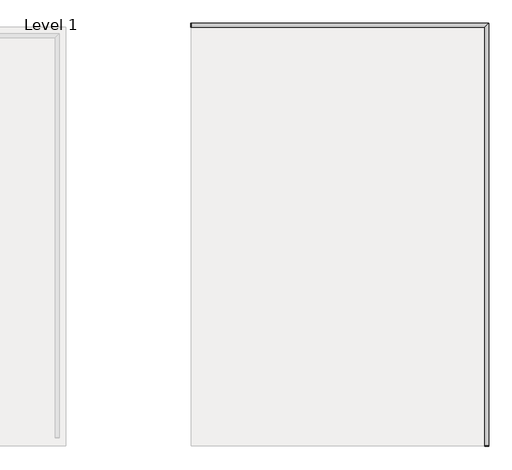
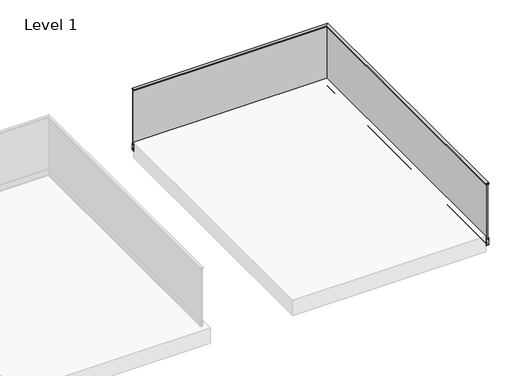
# One storey, part 10 of 11: 1 railing.
"""IFC4 building model written with IfcOpenShell, lengths in millimetres."""

from ifc_helpers import new_model, si_unit, frame, origin, place, context, project, spatial, polyline, circle_curve, ellipse_curve, outline, extrude, faceted_brep, element, save
from ifc_brep_helpers import plane_surface, cylinder_surface, revolved_surface, advanced_brep

model = new_model("IFC4")

# Units and contexts
model_context = context("Model", 3, world=origin())
ifc_project = project(units=[si_unit("LENGTHUNIT", "METRE", prefix="MILLI")], contexts=[model_context])

# Site, building, storey
site = spatial("IfcSite", under=ifc_project)
building = spatial("IfcBuilding", under=site)
storey = spatial("IfcBuildingStorey", under=building, Name="Level 1", Elevation=0.0)

# Railing
placement = place(None, origin())
element("IfcRailing", 1, at=placement, inside=storey, context=model_context, shape_type="SolidModel", body=[
    advanced_brep(
    [(-8668.5524845, -26815.8362173, 1007.0), (-8671.5524845, -26815.8362173, 1007.0), (-8671.5524845, -26863.8362173, 1007.0), (-8668.5524845, -26863.8362173, 1007.0), (-8668.5524845, -26815.8362173, 987.0), (-8668.5524845, -26863.8362173, 987.0), (-8671.5524845, -26863.8362173, 987.0), (-8671.5524845, -26815.8362173, 987.0), (-8671.5524845, -26830.3063349, 991.0), (-8671.5524845, -26828.5394144, 991.0), (-8671.5524845, -26828.5394144, 1002.8910916), (-8671.5524845, -26830.3063349, 1002.8910916), (-8671.5524845, -26834.9336183, 994.8283296), (-8671.5524845, -26833.5456396, 991.0418015), (-8671.5524845, -26832.2678537, 991.0418015), (-8671.5524845, -26835.5091488, 1000.7289848), (-8671.5524845, -26836.0979661, 1002.9204218), (-8671.5524845, -26836.0979661, 1004.4042101), (-8671.5524845, -26837.0979661, 1004.4042101), (-8671.5524845, -26837.0979661, 1002.9204218), (-8671.5524845, -26837.6867833, 1000.7289848), (-8671.5524845, -26840.9280784, 991.0418015), (-8671.5524845, -26839.6502925, 991.0418015), (-8671.5524845, -26838.2623138, 994.8283296), (-8671.5524845, -26848.4439137, 994.2872278), (-8671.5524845, -26844.4412259, 999.8363254), (-8671.5524845, -26844.4412259, 991.0), (-8671.5524845, -26842.6743053, 991.0), (-8671.5524845, -26842.6743053, 1002.8910916), (-8671.5524845, -26844.346968, 1002.8910916), (-8671.5524845, -26848.4476652, 997.2372765), (-8671.5524845, -26852.5245912, 1002.8910916), (-8671.5524845, -26854.1767212, 1002.8910916), (-8671.5524845, -26854.1767212, 991.0), (-8671.5524845, -26852.401119, 991.0), (-8671.5524845, -26852.401119, 999.8363254), (-8671.5524845, -26837.7114101, 996.3283296), (-8671.5524845, -26836.5979661, 999.3642296), (-8671.5524845, -26835.4845221, 996.3283296), (-8670.7524845, -26828.5394144, 991.0), (-8670.7524845, -26830.3063349, 991.0), (-8670.7524845, -26830.3063349, 1002.8910916), (-8670.7524845, -26828.5394144, 1002.8910916), (-8670.7524845, -26833.5456396, 991.0418015), (-8670.7524845, -26834.9336183, 994.8283296), (-8670.7524845, -26838.2623138, 994.8283296), (-8670.7524845, -26839.6502925, 991.0418015), (-8670.7524845, -26840.9280784, 991.0418015), (-8670.7524845, -26837.6867833, 1000.7289848), (-8670.7524845, -26837.0979661, 1002.9204218), (-8670.7524845, -26837.0979661, 1004.4042101), (-8670.7524845, -26836.0979661, 1004.4042101), (-8670.7524845, -26836.0979661, 1002.9204218), (-8670.7524845, -26835.5091488, 1000.7289848), (-8670.7524845, -26832.2678537, 991.0418015), (-8670.7524845, -26836.5979661, 999.3642296), (-8670.7524845, -26837.7114101, 996.3283296), (-8670.7524845, -26835.4845221, 996.3283296), (-8670.7524845, -26844.4412259, 999.8363254), (-8670.7524845, -26848.4439137, 994.2872278), (-8670.7524845, -26852.401119, 999.8363254), (-8670.7524845, -26852.401119, 991.0), (-8670.7524845, -26854.1767212, 991.0), (-8670.7524845, -26854.1767212, 1002.8910916), (-8670.7524845, -26852.5245912, 1002.8910916), (-8670.7524845, -26848.4476652, 997.2372765), (-8670.7524845, -26844.346968, 1002.8910916), (-8670.7524845, -26842.6743053, 1002.8910916), (-8670.7524845, -26842.6743053, 991.0), (-8670.7524845, -26844.4412259, 991.0)],
    [
        (0, 1),
        (1, 2),
        (2, 3),
        (3, 0),
        (4, 5),
        (5, 6),
        (6, 7),
        (7, 4),
        (0, 4),
        (7, 1),
        (6, 2),
        (8, 9),
        (9, 10),
        (10, 11),
        (11, 8),
        (12, 13),
        (13, 14),
        (14, 15),
        (15, 16, circle_curve(frame((-8671.5524845, -26836.5979661, 1001.6112537), z_axis=(1.0, 0.0, 0.0), x_axis=(0.0, -1.0, 0.0)), 1.4013998)),
        (16, 17),
        (17, 18),
        (18, 19),
        (19, 20, circle_curve(frame((-8671.5524845, -26836.5979661, 1001.6112537), z_axis=(1.0, 0.0, 0.0), x_axis=(0.0, -1.0, 0.0)), 1.4013998)),
        (20, 21),
        (21, 22),
        (22, 23),
        (23, 12),
        (24, 25),
        (25, 26),
        (26, 27),
        (27, 28),
        (28, 29),
        (29, 30),
        (30, 31),
        (31, 32),
        (32, 33),
        (33, 34),
        (34, 35),
        (35, 24),
        (36, 37),
        (37, 38),
        (38, 36),
        (5, 3),
        (39, 40),
        (40, 41),
        (41, 42),
        (42, 39),
        (43, 44),
        (44, 45),
        (45, 46),
        (46, 47),
        (47, 48),
        (48, 49, circle_curve(frame((-8670.7524845, -26836.5979661, 1001.6112537), z_axis=(-1.0, 0.0, 0.0), x_axis=(0.0, -1.0, 0.0)), 1.4013998)),
        (49, 50),
        (50, 51),
        (51, 52),
        (52, 53, circle_curve(frame((-8670.7524845, -26836.5979661, 1001.6112537), z_axis=(-1.0, 0.0, 0.0), x_axis=(0.0, -1.0, 0.0)), 1.4013998)),
        (53, 54),
        (54, 43),
        (55, 56),
        (56, 57),
        (57, 55),
        (58, 59),
        (59, 60),
        (60, 61),
        (61, 62),
        (62, 63),
        (63, 64),
        (64, 65),
        (65, 66),
        (66, 67),
        (67, 68),
        (68, 69),
        (69, 58),
        (39, 9),
        (8, 40),
        (11, 41),
        (10, 42),
        (43, 13),
        (12, 44),
        (23, 45),
        (22, 46),
        (21, 47),
        (20, 48),
        (19, 49),
        (18, 50),
        (17, 51),
        (16, 52),
        (15, 53),
        (14, 54),
        (55, 37),
        (36, 56),
        (38, 57),
        (58, 25),
        (24, 59),
        (35, 60),
        (34, 61),
        (33, 62),
        (32, 63),
        (31, 64),
        (30, 65),
        (29, 66),
        (28, 67),
        (27, 68),
        (26, 69),
    ],
    [
        plane_surface(frame((-8671.5524845, -26815.8362173, 1007.0), z_axis=(0.0, 0.0, 1.0), x_axis=(-1.0, 0.0, 0.0))),
        plane_surface(frame((-8671.5524845, -26815.8362173, 987.0), z_axis=(0.0, 0.0, -1.0), x_axis=(1.0, 0.0, 0.0))),
        plane_surface(frame((-8668.5524845, -26815.8362173, 1007.0), z_axis=(0.0, 1.0, 0.0), x_axis=(0.0, 0.0, -1.0))),
        plane_surface(frame((-8671.5524845, -26815.8362173, 1007.0), z_axis=(-1.0, 0.0, 0.0), x_axis=(0.0, 0.0, -1.0))),
        plane_surface(frame((-8671.5524845, -26863.8362173, 1007.0), z_axis=(0.0, -1.0, 0.0), x_axis=(0.0, 0.0, -1.0))),
        plane_surface(frame((-8668.5524845, -26863.8362173, 1007.0), z_axis=(1.0, 0.0, 0.0), x_axis=(0.0, 0.0, -1.0))),
        plane_surface(frame((-8670.7524845, -26830.3063349, 991.0), z_axis=(-1.0, 0.0, 0.0), x_axis=(0.0, 1.0, 0.0))),
        plane_surface(frame((-8678.007394, -26828.5394144, 991.0), z_axis=(0.0, 0.0, 1.0), x_axis=(1.0, 0.0, 0.0))),
        plane_surface(frame((-8678.007394, -26830.3063349, 991.0), z_axis=(0.0, 1.0, 0.0), x_axis=(1.0, 0.0, 0.0))),
        plane_surface(frame((-8678.007394, -26830.3063349, 1002.8910916), z_axis=(0.0, 0.0, -1.0), x_axis=(1.0, 0.0, 0.0))),
        plane_surface(frame((-8678.007394, -26828.5394144, 1002.8910916), z_axis=(0.0, -1.0, 0.0), x_axis=(1.0, 0.0, 0.0))),
        plane_surface(frame((-8678.007394, -26833.5456396, 991.0418015), z_axis=(0.0, 0.9389095690504639, 0.34416394515618903), x_axis=(1.0, 0.0, 0.0))),
        plane_surface(frame((-8678.007394, -26834.9336183, 994.8283296), z_axis=(0.0, 0.0, 1.0), x_axis=(1.0, 0.0, 0.0))),
        plane_surface(frame((-8678.007394, -26838.2623138, 994.8283296), z_axis=(0.0, -0.9389095690504728, 0.34416394515616455), x_axis=(1.0, 0.0, 0.0))),
        plane_surface(frame((-8678.007394, -26839.6502925, 991.0418015), z_axis=(0.0, 0.0, 1.0), x_axis=(1.0, 0.0, 0.0))),
        plane_surface(frame((-8678.007394, -26840.9280784, 991.0418015), z_axis=(0.0, 0.9483233937709086, -0.3173054377517449), x_axis=(1.0, 0.0, 0.0))),
        revolved_surface(polyline([(-8671.5524845, -26837.9993659, 1001.6112537), (-8670.7524845, -26837.9993659, 1001.6112537)]), (-8668.5524845, -26836.5979661, 1001.6112537), (-1.0, 0.0, 0.0)),
        plane_surface(frame((-8678.007394, -26837.0979661, 1002.9204218), z_axis=(0.0, 1.0, -8.150728408147997e-12), x_axis=(1.0, 0.0, 0.0))),
        plane_surface(frame((-8678.007394, -26837.0979661, 1004.4042101), z_axis=(0.0, 0.0, -1.0), x_axis=(1.0, 0.0, 0.0))),
        plane_surface(frame((-8678.007394, -26836.0979661, 1004.4042101), z_axis=(0.0, -1.0, 0.0), x_axis=(1.0, 0.0, 0.0))),
        plane_surface(frame((-8678.007394, -26835.5091488, 1000.7289848), z_axis=(0.0, -0.9483233937714675, -0.3173054377500742), x_axis=(1.0, 0.0, 0.0))),
        plane_surface(frame((-8678.007394, -26832.2678537, 991.0418015), z_axis=(0.0, 0.0, 1.0), x_axis=(1.0, 0.0, 0.0))),
        plane_surface(frame((-8678.007394, -26836.5979661, 999.3642296), z_axis=(0.0, -0.9388482559136598, 0.3443311667100135), x_axis=(1.0, 0.0, 0.0))),
        plane_surface(frame((-8678.007394, -26837.7114101, 996.3283296), z_axis=(0.0, 0.0, -1.0), x_axis=(1.0, 0.0, 0.0))),
        plane_surface(frame((-8678.007394, -26835.4845221, 996.3283296), z_axis=(0.0, 0.9388482559137024, 0.3443311667098978), x_axis=(1.0, 0.0, 0.0))),
        plane_surface(frame((-8678.007394, -26844.4412259, 999.8363254), z_axis=(0.0, -0.8110255103954597, 0.5850107874969352), x_axis=(1.0, 0.0, 0.0))),
        plane_surface(frame((-8678.007394, -26848.4439137, 994.2872278), z_axis=(0.0, 0.8141798587893506, 0.5806127431789222), x_axis=(1.0, 0.0, 0.0))),
        plane_surface(frame((-8678.007394, -26852.401119, 999.8363254), z_axis=(0.0, -1.0, 0.0), x_axis=(1.0, 0.0, 0.0))),
        plane_surface(frame((-8678.007394, -26852.401119, 991.0), z_axis=(0.0, 0.0, 1.0), x_axis=(1.0, 0.0, 0.0))),
        plane_surface(frame((-8678.007394, -26854.1767212, 991.0), z_axis=(0.0, 1.0, 0.0), x_axis=(1.0, 0.0, 0.0))),
        plane_surface(frame((-8678.007394, -26854.1767212, 1002.8910916), z_axis=(0.0, 0.0, -1.0), x_axis=(1.0, 0.0, 0.0))),
        plane_surface(frame((-8678.007394, -26852.5245912, 1002.8910916), z_axis=(0.0, -0.8111137792362568, -0.5848883971605838), x_axis=(1.0, 0.0, 0.0))),
        plane_surface(frame((-8678.007394, -26848.4476652, 997.2372765), z_axis=(0.0, 0.8094960389787019, -0.5871253383033234), x_axis=(1.0, 0.0, 0.0))),
        plane_surface(frame((-8678.007394, -26844.346968, 1002.8910916), z_axis=(0.0, 0.0, -1.0), x_axis=(1.0, 0.0, 0.0))),
        plane_surface(frame((-8678.007394, -26842.6743053, 1002.8910916), z_axis=(0.0, -1.0, 0.0), x_axis=(1.0, 0.0, 0.0))),
        plane_surface(frame((-8678.007394, -26842.6743053, 991.0), z_axis=(0.0, 0.0, 1.0), x_axis=(1.0, 0.0, 0.0))),
        plane_surface(frame((-8678.007394, -26844.4412259, 991.0), z_axis=(0.0, 1.0, 0.0), x_axis=(1.0, 0.0, 0.0))),
    ],
    [
        (0, [[1, 2, 3, 4]]),
        (1, [[5, 6, 7, 8]]),
        (2, [[-1, 9, -8, 10]]),
        (3, [[-2, -10, -7, 11], [12, 13, 14, 15], [16, 17, 18, 19, 20, 21, 22, 23, 24, 25, 26, 27], [28, 29, 30, 31, 32, 33, 34, 35, 36, 37, 38, 39]]),
        (3, [[40, 41, 42]]),
        (4, [[-3, -11, -6, 43]]),
        (5, [[-4, -43, -5, -9]]),
        (6, [[44, 45, 46, 47]]),
        (6, [[48, 49, 50, 51, 52, 53, 54, 55, 56, 57, 58, 59], [60, 61, 62]]),
        (6, [[63, 64, 65, 66, 67, 68, 69, 70, 71, 72, 73, 74]]),
        (7, [[-44, 75, -12, 76]]),
        (8, [[-45, -76, -15, 77]]),
        (9, [[-46, -77, -14, 78]]),
        (10, [[-47, -78, -13, -75]]),
        (11, [[-48, 79, -16, 80]]),
        (12, [[-49, -80, -27, 81]]),
        (13, [[-50, -81, -26, 82]]),
        (14, [[-51, -82, -25, 83]]),
        (15, [[-52, -83, -24, 84]]),
        (16, [[-53, -84, -23, 85]]),
        (17, [[-54, -85, -22, 86]]),
        (18, [[-55, -86, -21, 87]]),
        (19, [[-56, -87, -20, 88]]),
        (16, [[-57, -88, -19, 89]]),
        (20, [[-58, -89, -18, 90]]),
        (21, [[-59, -90, -17, -79]]),
        (22, [[-60, 91, -40, 92]]),
        (23, [[-61, -92, -42, 93]]),
        (24, [[-62, -93, -41, -91]]),
        (25, [[-63, 94, -28, 95]]),
        (26, [[-64, -95, -39, 96]]),
        (27, [[-65, -96, -38, 97]]),
        (28, [[-66, -97, -37, 98]]),
        (29, [[-67, -98, -36, 99]]),
        (30, [[-68, -99, -35, 100]]),
        (31, [[-69, -100, -34, 101]]),
        (32, [[-70, -101, -33, 102]]),
        (33, [[-71, -102, -32, 103]]),
        (34, [[-72, -103, -31, 104]]),
        (35, [[-73, -104, -30, 105]]),
        (36, [[-74, -105, -29, -94]]),
    ],
),
    advanced_brep(
    [(-5168.0524845, -31864.3362173, 1007.0), (-5168.0524845, -31867.3362173, 1007.0), (-5120.0524845, -31867.3362173, 1007.0), (-5120.0524845, -31864.3362173, 1007.0), (-5168.0524845, -31864.3362173, 987.0), (-5120.0524845, -31864.3362173, 987.0), (-5120.0524845, -31867.3362173, 987.0), (-5168.0524845, -31867.3362173, 987.0), (-5153.5823668, -31867.3362173, 991.0), (-5155.3492874, -31867.3362173, 991.0), (-5155.3492874, -31867.3362173, 1002.8910916), (-5153.5823668, -31867.3362173, 1002.8910916), (-5148.9550834, -31867.3362173, 994.8283296), (-5150.3430621, -31867.3362173, 991.0418015), (-5151.620848, -31867.3362173, 991.0418015), (-5148.3795529, -31867.3362173, 1000.7289848), (-5147.7907357, -31867.3362173, 1002.9204218), (-5147.7907357, -31867.3362173, 1004.4042101), (-5146.7907357, -31867.3362173, 1004.4042101), (-5146.7907357, -31867.3362173, 1002.9204218), (-5146.2019184, -31867.3362173, 1000.7289848), (-5142.9606233, -31867.3362173, 991.0418015), (-5144.2384092, -31867.3362173, 991.0418015), (-5145.6263879, -31867.3362173, 994.8283296), (-5135.444788, -31867.3362173, 994.2872278), (-5139.4474759, -31867.3362173, 999.8363254), (-5139.4474759, -31867.3362173, 991.0), (-5141.2143965, -31867.3362173, 991.0), (-5141.2143965, -31867.3362173, 1002.8910916), (-5139.5417337, -31867.3362173, 1002.8910916), (-5135.4410365, -31867.3362173, 997.2372765), (-5131.3641105, -31867.3362173, 1002.8910916), (-5129.7119805, -31867.3362173, 1002.8910916), (-5129.7119805, -31867.3362173, 991.0), (-5131.4875828, -31867.3362173, 991.0), (-5131.4875828, -31867.3362173, 999.8363254), (-5146.1772917, -31867.3362173, 996.3283296), (-5147.2907357, -31867.3362173, 999.3642296), (-5148.4041797, -31867.3362173, 996.3283296), (-5155.3492874, -31866.5362173, 991.0), (-5153.5823668, -31866.5362173, 991.0), (-5153.5823668, -31866.5362173, 1002.8910916), (-5155.3492874, -31866.5362173, 1002.8910916), (-5150.3430621, -31866.5362173, 991.0418015), (-5148.9550834, -31866.5362173, 994.8283296), (-5145.6263879, -31866.5362173, 994.8283296), (-5144.2384092, -31866.5362173, 991.0418015), (-5142.9606233, -31866.5362173, 991.0418015), (-5146.2019184, -31866.5362173, 1000.7289848), (-5146.7907357, -31866.5362173, 1002.9204218), (-5146.7907357, -31866.5362173, 1004.4042101), (-5147.7907357, -31866.5362173, 1004.4042101), (-5147.7907357, -31866.5362173, 1002.9204218), (-5148.3795529, -31866.5362173, 1000.7289848), (-5151.620848, -31866.5362173, 991.0418015), (-5147.2907357, -31866.5362173, 999.3642296), (-5146.1772917, -31866.5362173, 996.3283296), (-5148.4041797, -31866.5362173, 996.3283296), (-5139.4474759, -31866.5362173, 999.8363254), (-5135.444788, -31866.5362173, 994.2872278), (-5131.4875828, -31866.5362173, 999.8363254), (-5131.4875828, -31866.5362173, 991.0), (-5129.7119805, -31866.5362173, 991.0), (-5129.7119805, -31866.5362173, 1002.8910916), (-5131.3641105, -31866.5362173, 1002.8910916), (-5135.4410365, -31866.5362173, 997.2372765), (-5139.5417337, -31866.5362173, 1002.8910916), (-5141.2143965, -31866.5362173, 1002.8910916), (-5141.2143965, -31866.5362173, 991.0), (-5139.4474759, -31866.5362173, 991.0)],
    [
        (0, 1),
        (1, 2),
        (2, 3),
        (3, 0),
        (4, 5),
        (5, 6),
        (6, 7),
        (7, 4),
        (0, 4),
        (7, 1),
        (6, 2),
        (8, 9),
        (9, 10),
        (10, 11),
        (11, 8),
        (12, 13),
        (13, 14),
        (14, 15),
        (15, 16, circle_curve(frame((-5147.2907357, -31867.3362173, 1001.6112537), z_axis=(0.0, 1.0, 0.0), x_axis=(1.0, 0.0, 0.0)), 1.4013998)),
        (16, 17),
        (17, 18),
        (18, 19),
        (19, 20, circle_curve(frame((-5147.2907357, -31867.3362173, 1001.6112537), z_axis=(0.0, 1.0, 0.0), x_axis=(1.0, 0.0, 0.0)), 1.4013998)),
        (20, 21),
        (21, 22),
        (22, 23),
        (23, 12),
        (24, 25),
        (25, 26),
        (26, 27),
        (27, 28),
        (28, 29),
        (29, 30),
        (30, 31),
        (31, 32),
        (32, 33),
        (33, 34),
        (34, 35),
        (35, 24),
        (36, 37),
        (37, 38),
        (38, 36),
        (5, 3),
        (39, 40),
        (40, 41),
        (41, 42),
        (42, 39),
        (43, 44),
        (44, 45),
        (45, 46),
        (46, 47),
        (47, 48),
        (48, 49, circle_curve(frame((-5147.2907357, -31866.5362173, 1001.6112537), z_axis=(0.0, -1.0, 0.0), x_axis=(1.0, 0.0, 0.0)), 1.4013998)),
        (49, 50),
        (50, 51),
        (51, 52),
        (52, 53, circle_curve(frame((-5147.2907357, -31866.5362173, 1001.6112537), z_axis=(0.0, -1.0, 0.0), x_axis=(1.0, 0.0, 0.0)), 1.4013998)),
        (53, 54),
        (54, 43),
        (55, 56),
        (56, 57),
        (57, 55),
        (58, 59),
        (59, 60),
        (60, 61),
        (61, 62),
        (62, 63),
        (63, 64),
        (64, 65),
        (65, 66),
        (66, 67),
        (67, 68),
        (68, 69),
        (69, 58),
        (39, 9),
        (8, 40),
        (11, 41),
        (10, 42),
        (43, 13),
        (12, 44),
        (23, 45),
        (22, 46),
        (21, 47),
        (20, 48),
        (19, 49),
        (18, 50),
        (17, 51),
        (16, 52),
        (15, 53),
        (14, 54),
        (55, 37),
        (36, 56),
        (38, 57),
        (58, 25),
        (24, 59),
        (35, 60),
        (34, 61),
        (33, 62),
        (32, 63),
        (31, 64),
        (30, 65),
        (29, 66),
        (28, 67),
        (27, 68),
        (26, 69),
    ],
    [
        plane_surface(frame((-5168.0524845, -31867.3362173, 1007.0), z_axis=(0.0, 0.0, 1.0), x_axis=(0.0, -1.0, 0.0))),
        plane_surface(frame((-5168.0524845, -31867.3362173, 987.0), z_axis=(0.0, 0.0, -1.0), x_axis=(0.0, 1.0, 0.0))),
        plane_surface(frame((-5168.0524845, -31864.3362173, 1007.0), z_axis=(-1.0, 0.0, 0.0), x_axis=(0.0, 0.0, -1.0))),
        plane_surface(frame((-5168.0524845, -31867.3362173, 1007.0), z_axis=(0.0, -1.0, 0.0), x_axis=(0.0, 0.0, -1.0))),
        plane_surface(frame((-5120.0524845, -31867.3362173, 1007.0), z_axis=(1.0, 0.0, 0.0), x_axis=(0.0, 0.0, -1.0))),
        plane_surface(frame((-5120.0524845, -31864.3362173, 1007.0), z_axis=(0.0, 1.0, 0.0), x_axis=(0.0, 0.0, -1.0))),
        plane_surface(frame((-5153.5823668, -31866.5362173, 991.0), z_axis=(0.0, -1.0, 0.0), x_axis=(-1.0, 0.0, 0.0))),
        plane_surface(frame((-5155.3492874, -31873.7911269, 991.0), z_axis=(0.0, 0.0, 1.0), x_axis=(0.0, 1.0, 0.0))),
        plane_surface(frame((-5153.5823668, -31873.7911269, 991.0), z_axis=(-1.0, 0.0, 0.0), x_axis=(0.0, 1.0, 0.0))),
        plane_surface(frame((-5153.5823668, -31873.7911269, 1002.8910916), z_axis=(0.0, 0.0, -1.0), x_axis=(0.0, 1.0, 0.0))),
        plane_surface(frame((-5155.3492874, -31873.7911269, 1002.8910916), z_axis=(1.0, 0.0, 0.0), x_axis=(0.0, 1.0, 0.0))),
        plane_surface(frame((-5150.3430621, -31873.7911269, 991.0418015), z_axis=(-0.9389095690504639, 0.0, 0.34416394515618903), x_axis=(0.0, 1.0, 0.0))),
        plane_surface(frame((-5148.9550834, -31873.7911269, 994.8283296), z_axis=(0.0, 0.0, 1.0), x_axis=(0.0, 1.0, 0.0))),
        plane_surface(frame((-5145.6263879, -31873.7911269, 994.8283296), z_axis=(0.9389095690504728, 0.0, 0.34416394515616455), x_axis=(0.0, 1.0, 0.0))),
        plane_surface(frame((-5144.2384092, -31873.7911269, 991.0418015), z_axis=(0.0, 0.0, 1.0), x_axis=(0.0, 1.0, 0.0))),
        plane_surface(frame((-5142.9606233, -31873.7911269, 991.0418015), z_axis=(-0.9483233937709086, 0.0, -0.3173054377517449), x_axis=(0.0, 1.0, 0.0))),
        revolved_surface(polyline([(-5145.8893359, -31867.3362173, 1001.6112537), (-5145.8893359, -31866.5362173, 1001.6112537)]), (-5147.2907357, -31864.3362173, 1001.6112537), (0.0, -1.0, 0.0)),
        plane_surface(frame((-5146.7907357, -31873.7911269, 1002.9204218), z_axis=(-1.0, 0.0, -8.150728408147997e-12), x_axis=(0.0, 1.0, 0.0))),
        plane_surface(frame((-5146.7907357, -31873.7911269, 1004.4042101), z_axis=(0.0, 0.0, -1.0), x_axis=(0.0, 1.0, 0.0))),
        plane_surface(frame((-5147.7907357, -31873.7911269, 1004.4042101), z_axis=(1.0, 0.0, 0.0), x_axis=(0.0, 1.0, 0.0))),
        plane_surface(frame((-5148.3795529, -31873.7911269, 1000.7289848), z_axis=(0.9483233937714675, 0.0, -0.3173054377500742), x_axis=(0.0, 1.0, 0.0))),
        plane_surface(frame((-5151.620848, -31873.7911269, 991.0418015), z_axis=(0.0, 0.0, 1.0), x_axis=(0.0, 1.0, 0.0))),
        plane_surface(frame((-5147.2907357, -31873.7911269, 999.3642296), z_axis=(0.9388482559136598, 0.0, 0.3443311667100135), x_axis=(0.0, 1.0, 0.0))),
        plane_surface(frame((-5146.1772917, -31873.7911269, 996.3283296), z_axis=(0.0, 0.0, -1.0), x_axis=(0.0, 1.0, 0.0))),
        plane_surface(frame((-5148.4041797, -31873.7911269, 996.3283296), z_axis=(-0.9388482559137024, 0.0, 0.3443311667098978), x_axis=(0.0, 1.0, 0.0))),
        plane_surface(frame((-5139.4474759, -31873.7911269, 999.8363254), z_axis=(0.8110255103954597, 0.0, 0.5850107874969352), x_axis=(0.0, 1.0, 0.0))),
        plane_surface(frame((-5135.444788, -31873.7911269, 994.2872278), z_axis=(-0.8141798587893506, 0.0, 0.5806127431789222), x_axis=(0.0, 1.0, 0.0))),
        plane_surface(frame((-5131.4875828, -31873.7911269, 999.8363254), z_axis=(1.0, 0.0, 0.0), x_axis=(0.0, 1.0, 0.0))),
        plane_surface(frame((-5131.4875828, -31873.7911269, 991.0), z_axis=(0.0, 0.0, 1.0), x_axis=(0.0, 1.0, 0.0))),
        plane_surface(frame((-5129.7119805, -31873.7911269, 991.0), z_axis=(-1.0, 0.0, 0.0), x_axis=(0.0, 1.0, 0.0))),
        plane_surface(frame((-5129.7119805, -31873.7911269, 1002.8910916), z_axis=(0.0, 0.0, -1.0), x_axis=(0.0, 1.0, 0.0))),
        plane_surface(frame((-5131.3641105, -31873.7911269, 1002.8910916), z_axis=(0.8111137792362568, 0.0, -0.5848883971605838), x_axis=(0.0, 1.0, 0.0))),
        plane_surface(frame((-5135.4410365, -31873.7911269, 997.2372765), z_axis=(-0.8094960389787019, 0.0, -0.5871253383033234), x_axis=(0.0, 1.0, 0.0))),
        plane_surface(frame((-5139.5417337, -31873.7911269, 1002.8910916), z_axis=(0.0, 0.0, -1.0), x_axis=(0.0, 1.0, 0.0))),
        plane_surface(frame((-5141.2143965, -31873.7911269, 1002.8910916), z_axis=(1.0, 0.0, 0.0), x_axis=(0.0, 1.0, 0.0))),
        plane_surface(frame((-5141.2143965, -31873.7911269, 991.0), z_axis=(0.0, 0.0, 1.0), x_axis=(0.0, 1.0, 0.0))),
        plane_surface(frame((-5139.4474759, -31873.7911269, 991.0), z_axis=(-1.0, 0.0, 0.0), x_axis=(0.0, 1.0, 0.0))),
    ],
    [
        (0, [[1, 2, 3, 4]]),
        (1, [[5, 6, 7, 8]]),
        (2, [[-1, 9, -8, 10]]),
        (3, [[-2, -10, -7, 11], [12, 13, 14, 15], [16, 17, 18, 19, 20, 21, 22, 23, 24, 25, 26, 27], [28, 29, 30, 31, 32, 33, 34, 35, 36, 37, 38, 39]]),
        (3, [[40, 41, 42]]),
        (4, [[-3, -11, -6, 43]]),
        (5, [[-4, -43, -5, -9]]),
        (6, [[44, 45, 46, 47]]),
        (6, [[48, 49, 50, 51, 52, 53, 54, 55, 56, 57, 58, 59], [60, 61, 62]]),
        (6, [[63, 64, 65, 66, 67, 68, 69, 70, 71, 72, 73, 74]]),
        (7, [[-44, 75, -12, 76]]),
        (8, [[-45, -76, -15, 77]]),
        (9, [[-46, -77, -14, 78]]),
        (10, [[-47, -78, -13, -75]]),
        (11, [[-48, 79, -16, 80]]),
        (12, [[-49, -80, -27, 81]]),
        (13, [[-50, -81, -26, 82]]),
        (14, [[-51, -82, -25, 83]]),
        (15, [[-52, -83, -24, 84]]),
        (16, [[-53, -84, -23, 85]]),
        (17, [[-54, -85, -22, 86]]),
        (18, [[-55, -86, -21, 87]]),
        (19, [[-56, -87, -20, 88]]),
        (16, [[-57, -88, -19, 89]]),
        (20, [[-58, -89, -18, 90]]),
        (21, [[-59, -90, -17, -79]]),
        (22, [[-60, 91, -40, 92]]),
        (23, [[-61, -92, -42, 93]]),
        (24, [[-62, -93, -41, -91]]),
        (25, [[-63, 94, -28, 95]]),
        (26, [[-64, -95, -39, 96]]),
        (27, [[-65, -96, -38, 97]]),
        (28, [[-66, -97, -37, 98]]),
        (29, [[-67, -98, -36, 99]]),
        (30, [[-68, -99, -35, 100]]),
        (31, [[-69, -100, -34, 101]]),
        (32, [[-70, -101, -33, 102]]),
        (33, [[-71, -102, -32, 103]]),
        (34, [[-72, -103, -31, 104]]),
        (35, [[-73, -104, -30, 105]]),
        (36, [[-74, -105, -29, -94]]),
    ],
),
    faceted_brep([(-5156.0524845, -31864.3362173, 997.0), (-5132.0524845, -31864.3362173, 997.0), (-5132.0524845, -31864.3362173, 987.0), (-5120.0524845, -31864.3362173, 987.0), (-5120.0524845, -31864.3362173, 1007.0), (-5168.0524845, -31864.3362173, 1007.0), (-5168.0524845, -31864.3362173, 987.0), (-5156.0524845, -31864.3362173, 987.0), (-5156.0524845, -31863.3362173, 997.0), (-5132.0524845, -31863.3362173, 997.0), (-5132.0524845, -31863.3362173, 987.0), (-5156.0524845, -31863.3362173, 987.0), (-5156.0524845, -26851.8362173, 997.0), (-5132.0524845, -26827.8362173, 997.0), (-5132.0524845, -26827.8362173, 987.0), (-5156.0524845, -26851.8362173, 987.0), (-8667.5524845, -26851.8362173, 997.0), (-8667.5524845, -26827.8362173, 997.0), (-8667.5524845, -26827.8362173, 987.0), (-8667.5524845, -26851.8362173, 987.0), (-8668.5524845, -26851.8362173, 997.0), (-8668.5524845, -26851.8362173, 987.0), (-8668.5524845, -26863.8362173, 987.0), (-8668.5524845, -26863.8362173, 1007.0), (-8668.5524845, -26815.8362173, 1007.0), (-8668.5524845, -26815.8362173, 987.0), (-8668.5524845, -26827.8362173, 987.0), (-8668.5524845, -26827.8362173, 997.0), (-5120.0524845, -31863.3362173, 987.0), (-5120.0524845, -31863.3362173, 1007.0), (-5168.0524845, -31863.3362173, 1007.0), (-5168.0524845, -31863.3362173, 987.0), (-5120.0524845, -26815.8362173, 987.0), (-5120.0524845, -26815.8362173, 1007.0), (-5168.0524845, -26863.8362173, 1007.0), (-5168.0524845, -26863.8362173, 987.0), (-8667.5524845, -26815.8362173, 987.0), (-8667.5524845, -26815.8362173, 1007.0), (-8667.5524845, -26863.8362173, 1007.0), (-8667.5524845, -26863.8362173, 987.0)], [[[0, 1, 2, 3, 4, 5, 6, 7]], [[1, 0, 8, 9]], [[2, 1, 9, 10]], [[0, 7, 11, 8]], [[9, 8, 12, 13]], [[10, 9, 13, 14]], [[8, 11, 15, 12]], [[13, 12, 16, 17]], [[14, 13, 17, 18]], [[12, 15, 19, 16]], [[20, 21, 22, 23, 24, 25, 26, 27]], [[17, 16, 20, 27]], [[18, 17, 27, 26]], [[16, 19, 21, 20]], [[3, 2, 10, 28]], [[4, 3, 28, 29]], [[5, 4, 29, 30]], [[6, 5, 30, 31]], [[7, 6, 31, 11]], [[28, 10, 14, 32]], [[29, 28, 32, 33]], [[30, 29, 33, 34]], [[31, 30, 34, 35]], [[11, 31, 35, 15]], [[32, 14, 18, 36]], [[33, 32, 36, 37]], [[34, 33, 37, 38]], [[35, 34, 38, 39]], [[15, 35, 39, 19]], [[36, 18, 26, 25]], [[37, 36, 25, 24]], [[38, 37, 24, 23]], [[39, 38, 23, 22]], [[19, 39, 22, 21]]]),
    faceted_brep([(-5135.2924845, -31863.3362173, 993.0), (-5152.8124845, -31863.3362173, 993.0), (-5152.8124845, -31863.3362173, -157.0), (-5135.2924845, -31863.3362173, -157.0), (-5135.2924845, -26831.0762173, 993.0), (-5152.8124845, -26848.5962173, 993.0), (-5152.8124845, -26848.5962173, -157.0), (-5135.2924845, -26831.0762173, -157.0), (-8667.5524845, -26831.0762173, 993.0), (-8667.5524845, -26831.0762173, -157.0), (-8667.5524845, -26848.5962173, -157.0), (-8667.5524845, -26848.5962173, 993.0)], [[[0, 1, 2, 3]], [[1, 0, 4, 5]], [[2, 1, 5, 6]], [[3, 2, 6, 7]], [[0, 3, 7, 4]], [[8, 9, 10, 11]], [[5, 4, 8, 11]], [[6, 5, 11, 10]], [[7, 6, 10, 9]], [[4, 7, 9, 8]]]),
    faceted_brep([(-5156.5524845, -31863.3362173, -160.0), (-5156.5524845, -31863.3362173, -140.0), (-5160.5905785, -31863.3362173, -50.0), (-5166.4524845, -31863.3362173, -50.0), (-5167.5524845, -31863.3362173, -51.1), (-5167.5524845, -31863.3362173, -69.1), (-5165.0524845, -31863.3362173, -71.6), (-5165.0524845, -31863.3362173, -88.0), (-5167.5524845, -31863.3362173, -90.5), (-5167.5524845, -31863.3362173, -129.5), (-5165.0524845, -31863.3362173, -132.0), (-5165.0524845, -31863.3362173, -148.0), (-5167.5524845, -31863.3362173, -150.5), (-5167.5524845, -31863.3362173, -170.0), (-5122.5524844, -31863.3362173, -170.0), (-5122.5524844, -31863.3362173, -168.0), (-5126.8024844, -31863.3362173, -167.4027015), (-5126.8024844, -31863.3362173, -165.7499556), (-5123.0524844, -31863.3362173, -165.7499556), (-5123.0524844, -31863.3362173, -49.0), (-5124.0524844, -31863.3362173, -49.0), (-5125.0524844, -31863.3362173, -50.0), (-5128.7524845, -31863.3362173, -50.0), (-5128.7524845, -31863.3362173, -70.0), (-5127.7524845, -31863.3362173, -70.5773503), (-5131.5524845, -31863.3362173, -93.5), (-5131.5524845, -31863.3362173, -160.0), (-8667.5524845, -26852.3362173, -160.0), (-8667.5524845, -26827.3362173, -160.0), (-8667.5524845, -26827.3362173, -93.5), (-8667.5524845, -26823.5362173, -70.5773503), (-8667.5524845, -26824.5362173, -70.0), (-8667.5524845, -26824.5362173, -50.0), (-8667.5524845, -26820.8362172, -50.0), (-8667.5524845, -26819.8362172, -49.0), (-8667.5524845, -26818.8362172, -49.0), (-8667.5524845, -26818.8362172, -165.7499556), (-8667.5524845, -26822.5862172, -165.7499556), (-8667.5524845, -26822.5862172, -167.4027015), (-8667.5524845, -26818.3362172, -168.0), (-8667.5524845, -26818.3362172, -170.0), (-8667.5524845, -26863.3362173, -170.0), (-8667.5524845, -26863.3362173, -150.5), (-8667.5524845, -26860.8362173, -148.0), (-8667.5524845, -26860.8362173, -132.0), (-8667.5524845, -26863.3362173, -129.5), (-8667.5524845, -26863.3362173, -90.5), (-8667.5524845, -26860.8362173, -88.0), (-8667.5524845, -26860.8362173, -71.6), (-8667.5524845, -26863.3362173, -69.1), (-8667.5524845, -26863.3362173, -51.1), (-8667.5524845, -26862.2362173, -50.0), (-8667.5524845, -26856.3743114, -50.0), (-8667.5524845, -26852.3362173, -140.0), (-5156.5524845, -26852.3362173, -160.0), (-5156.5524845, -26852.3362173, -140.0), (-5160.5905785, -26856.3743114, -50.0), (-5166.4524845, -26862.2362173, -50.0), (-5167.5524845, -26863.3362173, -51.1), (-5167.5524845, -26863.3362173, -69.1), (-5165.0524845, -26860.8362173, -71.6), (-5165.0524845, -26860.8362173, -88.0), (-5167.5524845, -26863.3362173, -90.5), (-5167.5524845, -26863.3362173, -129.5), (-5165.0524845, -26860.8362173, -132.0), (-5165.0524845, -26860.8362173, -148.0), (-5167.5524845, -26863.3362173, -150.5), (-5167.5524845, -26863.3362173, -170.0), (-5122.5524844, -26818.3362172, -170.0), (-5122.5524844, -26818.3362172, -168.0), (-5126.8024844, -26822.5862172, -167.4027015), (-5126.8024844, -26822.5862172, -165.7499556), (-5123.0524844, -26818.8362172, -165.7499556), (-5123.0524844, -26818.8362172, -49.0), (-5124.0524844, -26819.8362172, -49.0), (-5125.0524844, -26820.8362172, -50.0), (-5128.7524845, -26824.5362173, -50.0), (-5128.7524845, -26824.5362173, -70.0), (-5127.7524845, -26823.5362173, -70.5773503), (-5131.5524845, -26827.3362173, -93.5), (-5131.5524845, -26827.3362173, -160.0)], [[[0, 1, 2, 3, 4, 5, 6, 7, 8, 9, 10, 11, 12, 13, 14, 15, 16, 17, 18, 19, 20, 21, 22, 23, 24, 25, 26]], [[27, 28, 29, 30, 31, 32, 33, 34, 35, 36, 37, 38, 39, 40, 41, 42, 43, 44, 45, 46, 47, 48, 49, 50, 51, 52, 53]], [[1, 0, 54, 55]], [[2, 1, 55, 56]], [[3, 2, 56, 57]], [[4, 3, 57, 58]], [[5, 4, 58, 59]], [[6, 5, 59, 60]], [[7, 6, 60, 61]], [[8, 7, 61, 62]], [[9, 8, 62, 63]], [[10, 9, 63, 64]], [[11, 10, 64, 65]], [[12, 11, 65, 66]], [[13, 12, 66, 67]], [[14, 13, 67, 68]], [[15, 14, 68, 69]], [[16, 15, 69, 70]], [[17, 16, 70, 71]], [[18, 17, 71, 72]], [[19, 18, 72, 73]], [[20, 19, 73, 74]], [[22, 21, 75, 76]], [[23, 22, 76, 77]], [[24, 23, 77, 78]], [[25, 24, 78, 79]], [[26, 25, 79, 80]], [[0, 26, 80, 54]], [[55, 54, 27, 53]], [[56, 55, 53, 52]], [[57, 56, 52, 51]], [[58, 57, 51, 50]], [[59, 58, 50, 49]], [[60, 59, 49, 48]], [[61, 60, 48, 47]], [[62, 61, 47, 46]], [[63, 62, 46, 45]], [[64, 63, 45, 44]], [[65, 64, 44, 43]], [[66, 65, 43, 42]], [[67, 66, 42, 41]], [[68, 67, 41, 40]], [[69, 68, 40, 39]], [[70, 69, 39, 38]], [[71, 70, 38, 37]], [[72, 71, 37, 36]], [[73, 72, 36, 35]], [[74, 73, 35, 34]], [[76, 75, 33, 32]], [[77, 76, 32, 31]], [[78, 77, 31, 30]], [[79, 78, 30, 29]], [[80, 79, 29, 28]], [[54, 80, 28, 27]], [[21, 20, 74, 75]], [[75, 74, 34, 33]]]),
    advanced_brep(
    [(-5132.7524845, -31863.3362173, -159.8), (-5131.7524845, -31863.3362173, -158.8), (-5131.7524845, -31863.3362173, -93.4835349), (-5127.9724455, -31863.3362173, -70.6812958), (-5128.9524845, -31863.3362173, -70.1154701), (-5128.9524845, -31863.3362173, -49.085069), (-5132.6283203, -31863.3362173, -46.9175211), (-5133.5024845, -31863.3362173, -47.2491854), (-5133.5024845, -31863.3362173, -158.0), (-5154.3654461, -31863.3362173, -158.0), (-5154.6509663, -31863.3362173, -159.8), (-8667.5524845, -26828.5362173, -159.8), (-8667.5524845, -26850.4346992, -159.8), (-8667.5524845, -26850.149179, -158.0), (-8667.5524845, -26829.2862173, -158.0), (-8667.5524845, -26829.2862173, -47.2491854), (-8667.5524845, -26828.4120532, -46.9175211), (-8667.5524845, -26824.7362173, -49.085069), (-8667.5524845, -26824.7362173, -70.1154701), (-8667.5524845, -26823.7561784, -70.6812958), (-8667.5524845, -26827.5362173, -93.4835349), (-8667.5524845, -26827.5362173, -158.8), (-5132.7524845, -26828.5362173, -159.8), (-5131.7524845, -26827.5362173, -158.8), (-5131.7524845, -26827.5362173, -93.4835349), (-5127.9724455, -26823.7561784, -70.6812958), (-5128.9524845, -26824.7362173, -70.1154701), (-5128.9524845, -26824.7362173, -49.085069), (-5132.6283203, -26828.4120532, -46.9175211), (-5133.5024845, -26829.2862173, -47.2491854), (-5133.5024845, -26829.2862173, -158.0), (-5154.3654461, -26850.149179, -158.0), (-5154.6509663, -26850.4346992, -159.8)],
    [
        (0, 1, circle_curve(frame((-5132.7524845, -31863.3362173, -158.8), z_axis=(0.0, -1.0, 0.0), x_axis=(1.0, 0.0, 0.0)), 1.0)),
        (1, 2),
        (2, 3),
        (3, 4),
        (4, 5),
        (5, 6, circle_curve(frame((-5127.4387724, -31863.3362173, -42.3174336), z_axis=(0.0, 1.0, 0.0), x_axis=(1.0, 0.0, 0.0)), 6.9348549)),
        (6, 7, circle_curve(frame((-5133.0024845, -31863.3362173, -47.2491854), z_axis=(0.0, -1.0, 0.0), x_axis=(1.0, 0.0, 0.0)), 0.5)),
        (7, 8),
        (8, 9),
        (9, 10, circle_curve(frame((-5153.9940214, -31863.3362173, -158.9815612), z_axis=(0.0, -1.0, 0.0), x_axis=(1.0, 0.0, 0.0)), 1.049485)),
        (10, 0),
        (11, 12),
        (12, 13, circle_curve(frame((-8667.5524845, -26849.7777543, -158.9815612), z_axis=(-1.0, 0.0, 0.0), x_axis=(0.0, 1.0, 0.0)), 1.049485)),
        (13, 14),
        (14, 15),
        (15, 16, circle_curve(frame((-8667.5524845, -26828.7862173, -47.2491854), z_axis=(-1.0, 0.0, 0.0), x_axis=(0.0, 1.0, 0.0)), 0.5)),
        (16, 17, circle_curve(frame((-8667.5524845, -26823.2225052, -42.3174336), z_axis=(1.0, 0.0, 0.0), x_axis=(0.0, 1.0, 0.0)), 6.9348549)),
        (17, 18),
        (18, 19),
        (19, 20),
        (20, 21),
        (21, 11, circle_curve(frame((-8667.5524845, -26828.5362173, -158.8), z_axis=(-1.0, 0.0, 0.0), x_axis=(0.0, 1.0, 0.0)), 1.0)),
        (0, 22),
        (22, 23, ellipse_curve(frame((-5132.7524845, -26828.5362173, -158.8), z_axis=(0.7071067811865475, -0.7071067811865475, 0.0), x_axis=(-0.7071067811865474, -0.7071067811865476, 0.0)), 1.4142136, 1.0)),
        (23, 1),
        (23, 24),
        (24, 2),
        (24, 25),
        (25, 3),
        (25, 26),
        (26, 4),
        (26, 27),
        (27, 5),
        (27, 28, ellipse_curve(frame((-5127.4387724, -26823.2225052, -42.3174336), z_axis=(-0.7071067811865475, 0.7071067811865475, 0.0), x_axis=(0.7071067811865474, 0.7071067811865476, 0.0)), 9.8073659, 6.9348549)),
        (28, 6),
        (28, 29, ellipse_curve(frame((-5133.0024845, -26828.7862173, -47.2491854), z_axis=(0.7071067811865475, -0.7071067811865475, 0.0), x_axis=(-0.7071067811865474, -0.7071067811865476, 0.0)), 0.7071068, 0.5)),
        (29, 7),
        (29, 30),
        (30, 8),
        (30, 31),
        (31, 9),
        (31, 32, ellipse_curve(frame((-5153.9940214, -26849.7777543, -158.9815612), z_axis=(0.7071067811865475, -0.7071067811865475, 0.0), x_axis=(-0.7071067811865474, -0.7071067811865476, 0.0)), 1.4841959, 1.049485)),
        (32, 10),
        (32, 22),
        (22, 11),
        (21, 23),
        (20, 24),
        (19, 25),
        (18, 26),
        (17, 27),
        (16, 28),
        (15, 29),
        (14, 30),
        (13, 31),
        (12, 32),
    ],
    [
        plane_surface(frame((-5144.0524845, -31863.3362173, -170.0), z_axis=(0.0, -1.0, 0.0), x_axis=(0.0, 0.0, 1.0))),
        plane_surface(frame((-8667.5524845, -26839.8362173, -170.0), z_axis=(-1.0, 0.0, 0.0), x_axis=(0.0, -1.0, 0.0))),
        cylinder_surface(frame((-5132.7524845, -31863.3362173, -158.8), z_axis=(0.0, -1.0, 0.0), x_axis=(1.0, 0.0, 0.0)), 1.0),
        plane_surface(frame((-5131.7524845, -31863.3362173, -158.8), z_axis=(1.0, 0.0, 0.0), x_axis=(0.0, 1.0, 0.0))),
        plane_surface(frame((-5131.7524845, -31863.3362173, -93.4835349), z_axis=(0.9865362159973996, 0.0, -0.16354294397965363), x_axis=(0.0, 1.0, 0.0))),
        plane_surface(frame((-5127.9724455, -31863.3362173, -70.6812958), z_axis=(0.4999999999996261, 0.0, 0.8660254037846546), x_axis=(0.0, 1.0, 0.0))),
        plane_surface(frame((-5128.9524845, -31863.3362173, -70.1154701), z_axis=(1.0, 0.0, 0.0), x_axis=(0.0, 1.0, 0.0))),
        revolved_surface(polyline([(-5120.5039175, -26816.28765026653, -42.3174336), (-5120.5039175, -31863.3362173, -42.3174336)]), (-5127.4387724, -31863.3362173, -42.3174336), (0.0, 1.0, 0.0)),
        cylinder_surface(frame((-5133.0024845, -31863.3362173, -47.2491854), z_axis=(0.0, -1.0, 0.0), x_axis=(1.0, 0.0, 0.0)), 0.5),
        plane_surface(frame((-5133.5024845, -31863.3362173, -47.2491854), z_axis=(-1.0, 0.0, 0.0), x_axis=(0.0, 1.0, 0.0))),
        plane_surface(frame((-5133.5024845, -31863.3362173, -158.0), z_axis=(0.0, 0.0, 1.0), x_axis=(0.0, 1.0, 0.0))),
        cylinder_surface(frame((-5153.9940214, -31863.3362173, -158.9815612), z_axis=(0.0, -1.0, 0.0), x_axis=(1.0, 0.0, 0.0)), 1.049485),
        plane_surface(frame((-5154.6509663, -31863.3362173, -159.8), z_axis=(0.0, 0.0, -1.0), x_axis=(0.0, 1.0, 0.0))),
        cylinder_surface(frame((-5144.0524845, -26828.5362173, -158.8), z_axis=(1.0, 0.0, 0.0), x_axis=(0.0, 1.0, 0.0)), 1.0),
        plane_surface(frame((-5131.7524845, -26827.5362173, -158.8), z_axis=(0.0, 1.0, 0.0), x_axis=(-1.0, 0.0, 0.0))),
        plane_surface(frame((-5131.7524845, -26827.5362173, -93.4835349), z_axis=(0.0, 0.9865362159973996, -0.16354294397965363), x_axis=(-1.0, 0.0, 0.0))),
        plane_surface(frame((-5127.9724455, -26823.7561784, -70.6812958), z_axis=(0.0, 0.4999999999996261, 0.8660254037846546), x_axis=(-1.0, 0.0, 0.0))),
        plane_surface(frame((-5128.9524845, -26824.7362173, -70.1154701), z_axis=(0.0, 1.0, 0.0), x_axis=(-1.0, 0.0, 0.0))),
        revolved_surface(polyline([(-8667.5524845, -26816.2876503, -42.3174336), (-5120.503917466533, -26816.2876503, -42.3174336)]), (-5144.0524845, -26823.2225052, -42.3174336), (-1.0, 0.0, 0.0)),
        cylinder_surface(frame((-5144.0524845, -26828.7862173, -47.2491854), z_axis=(1.0, 0.0, 0.0), x_axis=(0.0, 1.0, 0.0)), 0.5),
        plane_surface(frame((-5133.5024845, -26829.2862173, -47.2491854), z_axis=(0.0, -1.0, 0.0), x_axis=(-1.0, 0.0, 0.0))),
        plane_surface(frame((-5133.5024845, -26829.2862173, -158.0), z_axis=(0.0, 0.0, 1.0), x_axis=(-1.0, 0.0, 0.0))),
        cylinder_surface(frame((-5144.0524845, -26849.7777543, -158.9815612), z_axis=(1.0, 0.0, 0.0), x_axis=(0.0, 1.0, 0.0)), 1.049485),
        plane_surface(frame((-5154.6509663, -26850.4346992, -159.8), z_axis=(0.0, 0.0, -1.0), x_axis=(-1.0, 0.0, 0.0))),
    ],
    [
        (0, [[1, 2, 3, 4, 5, 6, 7, 8, 9, 10, 11]]),
        (1, [[12, 13, 14, 15, 16, 17, 18, 19, 20, 21, 22]]),
        (2, [[-1, 23, 24, 25]]),
        (3, [[-2, -25, 26, 27]]),
        (4, [[-3, -27, 28, 29]]),
        (5, [[-4, -29, 30, 31]]),
        (6, [[-5, -31, 32, 33]]),
        (7, [[-6, -33, 34, 35]]),
        (8, [[-7, -35, 36, 37]]),
        (9, [[-8, -37, 38, 39]]),
        (10, [[-9, -39, 40, 41]]),
        (11, [[-10, -41, 42, 43]]),
        (12, [[-11, -43, 44, -23]]),
        (13, [[-24, 45, -22, 46]]),
        (14, [[-26, -46, -21, 47]]),
        (15, [[-28, -47, -20, 48]]),
        (16, [[-30, -48, -19, 49]]),
        (17, [[-32, -49, -18, 50]]),
        (18, [[-34, -50, -17, 51]]),
        (19, [[-36, -51, -16, 52]]),
        (20, [[-38, -52, -15, 53]]),
        (21, [[-40, -53, -14, 54]]),
        (22, [[-42, -54, -13, 55]]),
        (23, [[-44, -55, -12, -45]]),
    ],
),
    faceted_brep([(-5156.6367966, -31863.3362173, -133.6588405), (-5154.6615116, -31863.3362173, -133.6588405), (-5154.6615116, -31863.3362173, -81.1555206), (-5158.9925004, -31863.3362173, -81.1555206), (-8667.5524845, -26852.4205294, -133.6588405), (-8667.5524845, -26854.7762332, -81.1555206), (-8667.5524845, -26850.4452444, -81.1555206), (-8667.5524845, -26850.4452444, -133.6588405), (-5156.6367966, -26852.4205294, -133.6588405), (-5154.6615116, -26850.4452444, -133.6588405), (-5154.6615116, -26850.4452444, -81.1555206), (-5158.9925004, -26854.7762332, -81.1555206)], [[[0, 1, 2, 3]], [[4, 5, 6, 7]], [[1, 0, 8, 9]], [[2, 1, 9, 10]], [[3, 2, 10, 11]], [[0, 3, 11, 8]], [[9, 8, 4, 7]], [[10, 9, 7, 6]], [[11, 10, 6, 5]], [[8, 11, 5, 4]]]),
    advanced_brep(
    [(-5160.0054952, -31863.3362173, -58.5781539), (-5158.6516946, -31863.3362173, -61.6445119), (-5155.5780692, -31863.3362173, -61.6445119), (-5154.6024845, -31863.3362173, -60.8641353), (-5154.6024845, -31863.3362173, -48.1232152), (-5155.197889, -31863.3362173, -47.6324016), (-5160.4507934, -31863.3362173, -48.6534628), (-8667.5524845, -26855.789228, -58.5781539), (-8667.5524845, -26856.2345262, -48.6534628), (-8667.5524845, -26850.9816218, -47.6324016), (-8667.5524845, -26850.3862173, -48.1232152), (-8667.5524845, -26850.3862173, -60.8641353), (-8667.5524845, -26851.361802, -61.6445119), (-8667.5524845, -26854.4354274, -61.6445119), (-5160.0054952, -26855.789228, -58.5781539), (-5158.6516946, -26854.4354274, -61.6445119), (-5155.5780692, -26851.361802, -61.6445119), (-5154.6024845, -26850.3862173, -60.8641353), (-5154.6024845, -26850.3862173, -48.1232152), (-5155.197889, -26850.9816218, -47.6324016), (-5160.4507934, -26856.2345262, -48.6534628)],
    [
        (0, 1, circle_curve(frame((-5144.4018545, -31863.3362173, -53.5211599), z_axis=(0.0, -1.0, 0.0), x_axis=(1.0, 0.0, 0.0)), 16.4026458)),
        (1, 2),
        (2, 3, circle_curve(frame((-5155.5780692, -31863.3362173, -60.6445119), z_axis=(0.0, -1.0, 0.0), x_axis=(1.0, 0.0, 0.0)), 1.0)),
        (3, 4),
        (4, 5, circle_curve(frame((-5155.1024845, -31863.3362173, -48.1232152), z_axis=(0.0, -1.0, 0.0), x_axis=(1.0, 0.0, 0.0)), 0.5)),
        (5, 6),
        (6, 0),
        (7, 8),
        (8, 9),
        (9, 10, circle_curve(frame((-8667.5524845, -26850.8862173, -48.1232152), z_axis=(-1.0, 0.0, 0.0), x_axis=(0.0, 1.0, 0.0)), 0.5)),
        (10, 11),
        (11, 12, circle_curve(frame((-8667.5524845, -26851.361802, -60.6445119), z_axis=(-1.0, 0.0, 0.0), x_axis=(0.0, 1.0, 0.0)), 1.0)),
        (12, 13),
        (13, 7, circle_curve(frame((-8667.5524845, -26840.1855874, -53.5211599), z_axis=(-1.0, 0.0, 0.0), x_axis=(0.0, 1.0, 0.0)), 16.4026458)),
        (0, 14),
        (14, 15, ellipse_curve(frame((-5144.4018545, -26840.1855874, -53.5211599), z_axis=(0.7071067811865475, -0.7071067811865475, 0.0), x_axis=(-0.7071067811865474, -0.7071067811865476, 0.0)), 23.1968442, 16.4026458)),
        (15, 1),
        (15, 16),
        (16, 2),
        (16, 17, ellipse_curve(frame((-5155.5780692, -26851.361802, -60.6445119), z_axis=(0.7071067811865475, -0.7071067811865475, 0.0), x_axis=(-0.7071067811865474, -0.7071067811865476, 0.0)), 1.4142136, 1.0)),
        (17, 3),
        (17, 18),
        (18, 4),
        (18, 19, ellipse_curve(frame((-5155.1024845, -26850.8862173, -48.1232152), z_axis=(0.7071067811865475, -0.7071067811865475, 0.0), x_axis=(-0.7071067811865474, -0.7071067811865476, 0.0)), 0.7071068, 0.5)),
        (19, 5),
        (19, 20),
        (20, 6),
        (20, 14),
        (14, 7),
        (13, 15),
        (12, 16),
        (11, 17),
        (10, 18),
        (9, 19),
        (8, 20),
    ],
    [
        plane_surface(frame((-5144.0524845, -31863.3362173, -170.0), z_axis=(0.0, -1.0, 0.0), x_axis=(0.0, 0.0, 1.0))),
        plane_surface(frame((-8667.5524845, -26839.8362173, -170.0), z_axis=(-1.0, 0.0, 0.0), x_axis=(0.0, -1.0, 0.0))),
        cylinder_surface(frame((-5144.4018545, -31863.3362173, -53.5211599), z_axis=(0.0, -1.0, 0.0), x_axis=(1.0, 0.0, 0.0)), 16.4026458),
        plane_surface(frame((-5158.6516946, -31863.3362173, -61.6445119), z_axis=(0.0, 0.0, -1.0), x_axis=(0.0, 1.0, 0.0))),
        cylinder_surface(frame((-5155.5780692, -31863.3362173, -60.6445119), z_axis=(0.0, -1.0, 0.0), x_axis=(1.0, 0.0, 0.0)), 1.0),
        plane_surface(frame((-5154.6024845, -31863.3362173, -60.8641353), z_axis=(1.0, 0.0, 0.0), x_axis=(0.0, 1.0, 0.0))),
        cylinder_surface(frame((-5155.1024845, -31863.3362173, -48.1232152), z_axis=(0.0, -1.0, 0.0), x_axis=(1.0, 0.0, 0.0)), 0.5),
        plane_surface(frame((-5155.197889, -31863.3362173, -47.6324016), z_axis=(-0.19080899537654455, 0.0, 0.9816271834476641), x_axis=(0.0, 1.0, 0.0))),
        plane_surface(frame((-5160.4507934, -31863.3362173, -48.6534628), z_axis=(-0.9989949613987466, 0.0, -0.04482261817338369), x_axis=(0.0, 1.0, 0.0))),
        cylinder_surface(frame((-5144.0524845, -26840.1855874, -53.5211599), z_axis=(1.0, 0.0, 0.0), x_axis=(0.0, 1.0, 0.0)), 16.4026458),
        plane_surface(frame((-5158.6516946, -26854.4354274, -61.6445119), z_axis=(0.0, 0.0, -1.0), x_axis=(-1.0, 0.0, 0.0))),
        cylinder_surface(frame((-5144.0524845, -26851.361802, -60.6445119), z_axis=(1.0, 0.0, 0.0), x_axis=(0.0, 1.0, 0.0)), 1.0),
        plane_surface(frame((-5154.6024845, -26850.3862173, -60.8641353), z_axis=(0.0, 1.0, 0.0), x_axis=(-1.0, 0.0, 0.0))),
        cylinder_surface(frame((-5144.0524845, -26850.8862173, -48.1232152), z_axis=(1.0, 0.0, 0.0), x_axis=(0.0, 1.0, 0.0)), 0.5),
        plane_surface(frame((-5155.197889, -26850.9816218, -47.6324016), z_axis=(0.0, -0.19080899537654455, 0.9816271834476641), x_axis=(-1.0, 0.0, 0.0))),
        plane_surface(frame((-5160.4507934, -26856.2345262, -48.6534628), z_axis=(0.0, -0.9989949613987466, -0.04482261817338369), x_axis=(-1.0, 0.0, 0.0))),
    ],
    [
        (0, [[1, 2, 3, 4, 5, 6, 7]]),
        (1, [[8, 9, 10, 11, 12, 13, 14]]),
        (2, [[-1, 15, 16, 17]]),
        (3, [[-2, -17, 18, 19]]),
        (4, [[-3, -19, 20, 21]]),
        (5, [[-4, -21, 22, 23]]),
        (6, [[-5, -23, 24, 25]]),
        (7, [[-6, -25, 26, 27]]),
        (8, [[-7, -27, 28, -15]]),
        (9, [[-16, 29, -14, 30]]),
        (10, [[-18, -30, -13, 31]]),
        (11, [[-20, -31, -12, 32]]),
        (12, [[-22, -32, -11, 33]]),
        (13, [[-24, -33, -10, 34]]),
        (14, [[-26, -34, -9, 35]]),
        (15, [[-28, -35, -8, -29]]),
    ],
),
    faceted_brep([(-5122.0524844, -31863.3362173, -167.8683049), (-5122.0524844, -31863.3362173, -176.5), (-5120.5524844, -31863.3362173, -176.5), (-5120.5524844, -31863.3362173, -46.5), (-5131.5524844, -31863.3362173, -46.5), (-5131.5524844, -31863.3362173, -48.0), (-5128.366698, -31863.3362173, -48.0), (-5126.566698, -31863.3362173, -49.8), (-5125.1353271, -31863.3362173, -49.8), (-5123.3353271, -31863.3362173, -48.0), (-5122.0524844, -31863.3362173, -48.0), (-5122.0524844, -31863.3362173, -165.9499556), (-5126.4223452, -31863.3362173, -165.9499556), (-5126.4223452, -31863.3362173, -167.254161), (-5122.0524844, -26817.8362172, -167.8683049), (-5122.0524844, -26817.8362172, -176.5), (-5120.5524844, -26816.3362172, -176.5), (-5120.5524844, -26816.3362172, -46.5), (-5131.5524844, -26827.3362172, -46.5), (-5131.5524844, -26827.3362172, -48.0), (-5128.366698, -26824.1504308, -48.0), (-5126.566698, -26822.3504308, -49.8), (-5125.1353271, -26820.9190599, -49.8), (-5123.3353271, -26819.1190599, -48.0), (-5122.0524844, -26817.8362172, -48.0), (-5122.0524844, -26817.8362172, -165.9499556), (-5126.4223452, -26822.206078, -165.9499556), (-5126.4223452, -26822.206078, -167.254161), (-8667.5524845, -26817.8362172, -167.8683049), (-8667.5524845, -26822.206078, -167.254161), (-8667.5524845, -26822.206078, -165.9499556), (-8667.5524845, -26817.8362172, -165.9499556), (-8667.5524845, -26817.8362172, -48.0), (-8667.5524845, -26819.1190599, -48.0), (-8667.5524845, -26820.9190599, -49.8), (-8667.5524845, -26822.3504308, -49.8), (-8667.5524845, -26824.1504308, -48.0), (-8667.5524845, -26827.3362172, -48.0), (-8667.5524845, -26827.3362172, -46.5), (-8667.5524845, -26816.3362172, -46.5), (-8667.5524845, -26816.3362172, -176.5), (-8667.5524845, -26817.8362172, -176.5)], [[[0, 1, 2, 3, 4, 5, 6, 7, 8, 9, 10, 11, 12, 13]], [[1, 0, 14, 15]], [[2, 1, 15, 16]], [[3, 2, 16, 17]], [[4, 3, 17, 18]], [[5, 4, 18, 19]], [[6, 5, 19, 20]], [[7, 6, 20, 21]], [[8, 7, 21, 22]], [[9, 8, 22, 23]], [[10, 9, 23, 24]], [[11, 10, 24, 25]], [[12, 11, 25, 26]], [[13, 12, 26, 27]], [[0, 13, 27, 14]], [[28, 29, 30, 31, 32, 33, 34, 35, 36, 37, 38, 39, 40, 41]], [[15, 14, 28, 41]], [[16, 15, 41, 40]], [[17, 16, 40, 39]], [[18, 17, 39, 38]], [[19, 18, 38, 37]], [[20, 19, 37, 36]], [[21, 20, 36, 35]], [[22, 21, 35, 34]], [[23, 22, 34, 33]], [[24, 23, 33, 32]], [[25, 24, 32, 31]], [[26, 25, 31, 30]], [[27, 26, 30, 29]], [[14, 27, 29, 28]]]),
    extrude(outline(polyline([(-8670.5524845, -26818.8362173), (-8667.5524845, -26818.8362173), (-8667.5524845, -26860.8362173), (-8670.5524845, -26860.8362173), (-8670.5524845, -26818.8362173)])), frame((0.0, 0.0, -177.0), z_axis=(0.0, 0.0, 1.0), x_axis=(1.0, 0.0, 0.0)), (0.0, 0.0, 1.0), 120.0),
    extrude(outline(polyline([(-5123.0524845, -31863.3362173), (-5123.0524845, -31866.3362173), (-5165.0524845, -31866.3362173), (-5165.0524845, -31863.3362173), (-5123.0524845, -31863.3362173)])), frame((0.0, 0.0, -177.0), z_axis=(0.0, 0.0, 1.0), x_axis=(1.0, 0.0, 0.0)), (0.0, 0.0, 1.0), 120.0),
])

save(model, "model.ifc")
